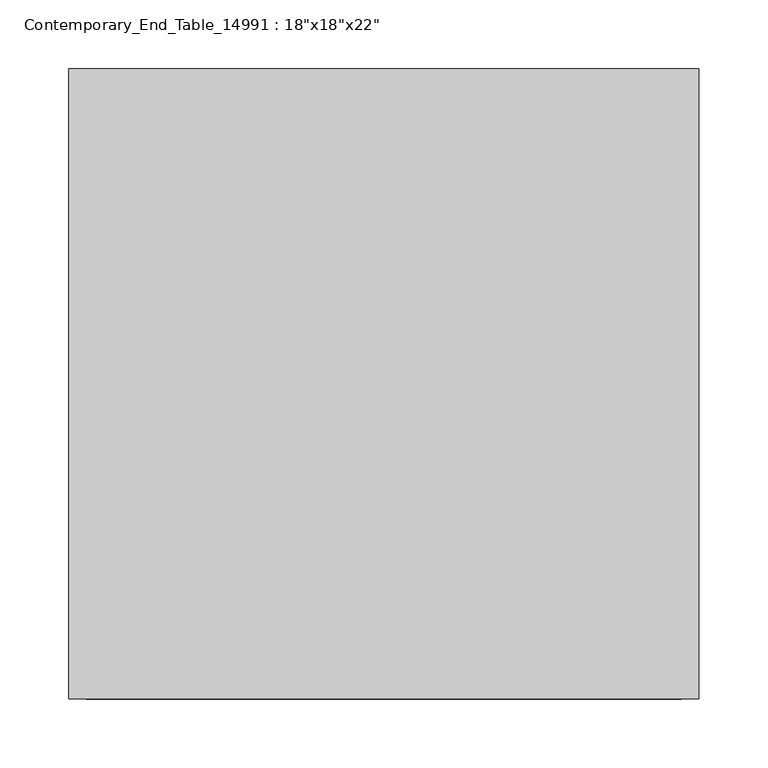
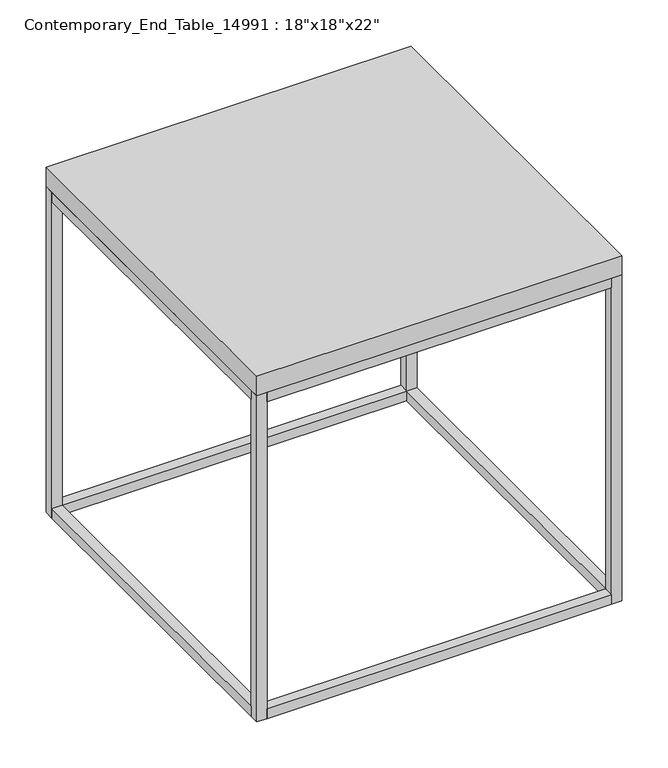
"""IFC4 building model written with IfcOpenShell, lengths in millimetres: furniture geometry."""

from ifc_helpers import new_model, si_unit, frame, origin, origin_with_axes, place, context, project, spatial, polyline, outline, extrude, source, transform, mapped, element, save


def furniture_3e7f603b(model_context):
    return source(origin(), model_context, "Body", "SweptSolid", [
        extrude(outline(polyline([(-215.9, -215.9), (-228.6, -215.9), (-228.6, 215.9), (-215.9, 215.9), (-215.9, -215.9)])), origin_with_axes(), (0.0, 0.0, 1.0), 12.7),
        extrude(outline(polyline([(215.9, -215.9), (215.9, 215.9), (228.6, 215.9), (228.6, -215.9), (215.9, -215.9)])), origin_with_axes(), (0.0, 0.0, 1.0), 12.7),
        extrude(outline(polyline([(215.9, -228.6), (-215.9, -228.6), (-215.9, -215.9), (215.9, -215.9), (215.9, -228.6)])), origin_with_axes(), (0.0, 0.0, 1.0), 12.7),
        extrude(outline(polyline([(215.9, 215.9), (-215.9, 215.9), (-215.9, 228.6), (215.9, 228.6), (215.9, 215.9)])), origin_with_axes(), (0.0, 0.0, 1.0), 12.7),
        extrude(outline(polyline([(228.6, -228.6), (-228.6, -228.6), (-228.6, 228.6), (228.6, 228.6), (228.6, -228.6)])), frame((0.0, 0.0, 431.8), z_axis=(0.0, 0.0, 1.0), x_axis=(1.0, 0.0, 0.0)), (0.0, 0.0, 1.0), 25.4),
        extrude(outline(polyline([(-215.9, -215.9), (-228.6, -215.9), (-228.6, 215.9), (-215.9, 215.9), (-215.9, -215.9)])), frame((0.0, 0.0, 419.1), z_axis=(0.0, 0.0, 1.0), x_axis=(1.0, 0.0, 0.0)), (0.0, 0.0, 1.0), 12.7),
        extrude(outline(polyline([(215.9, -215.9), (215.9, 215.9), (228.6, 215.9), (228.6, -215.9), (215.9, -215.9)])), frame((0.0, 0.0, 419.1), z_axis=(0.0, 0.0, 1.0), x_axis=(1.0, 0.0, 0.0)), (0.0, 0.0, 1.0), 12.7),
        extrude(outline(polyline([(215.9, -228.6), (-215.9, -228.6), (-215.9, -215.9), (215.9, -215.9), (215.9, -228.6)])), frame((0.0, 0.0, 419.1), z_axis=(0.0, 0.0, 1.0), x_axis=(1.0, 0.0, 0.0)), (0.0, 0.0, 1.0), 12.7),
        extrude(outline(polyline([(215.9, 215.9), (-215.9, 215.9), (-215.9, 228.6), (215.9, 228.6), (215.9, 215.9)])), frame((0.0, 0.0, 419.1), z_axis=(0.0, 0.0, 1.0), x_axis=(1.0, 0.0, 0.0)), (0.0, 0.0, 1.0), 12.7),
        extrude(outline(polyline([(-215.9, -228.6), (-228.6, -228.6), (-228.6, -215.9), (-215.9, -215.9), (-215.9, -228.6)])), origin_with_axes(), (0.0, 0.0, 1.0), 431.8),
        extrude(outline(polyline([(228.6, -228.6), (215.9, -228.6), (215.9, -215.9), (228.6, -215.9), (228.6, -228.6)])), origin_with_axes(), (0.0, 0.0, 1.0), 431.8),
        extrude(outline(polyline([(-215.9, 215.9), (-228.6, 215.9), (-228.6, 228.6), (-215.9, 228.6), (-215.9, 215.9)])), origin_with_axes(), (0.0, 0.0, 1.0), 431.8),
        extrude(outline(polyline([(228.6, 228.6), (228.6, 215.9), (215.9, 215.9), (215.9, 228.6), (228.6, 228.6)])), origin_with_axes(), (0.0, 0.0, 1.0), 431.8),
    ])


if __name__ == "__main__":
    model = new_model("IFC4")
    model_context = context("Model", 3, world=origin())
    ifc_project = project(units=[si_unit("LENGTHUNIT", "METRE", prefix="MILLI")], contexts=[model_context])
    site = spatial("IfcSite", under=ifc_project)
    building = spatial("IfcBuilding", under=site)
    placement = place(None, origin())
    furniture_shape = furniture_3e7f603b(model_context)
    element("IfcFurniture", 1, ObjectType="Contemporary_End_Table_14991 : 18\"x18\"x22\"", at=placement, inside=building, context=model_context, shape_type="MappedRepresentation", body=[
        mapped(furniture_shape, transform((0.0, 0.0, 0.0), x_axis=(1.0, 0.0, 0.0), y_axis=(0.0, 1.0, 0.0), z_axis=(0.0, 0.0, 1.0))),
    ])
    save(model, "model.ifc")
